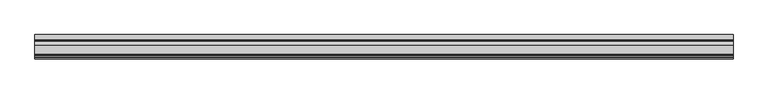
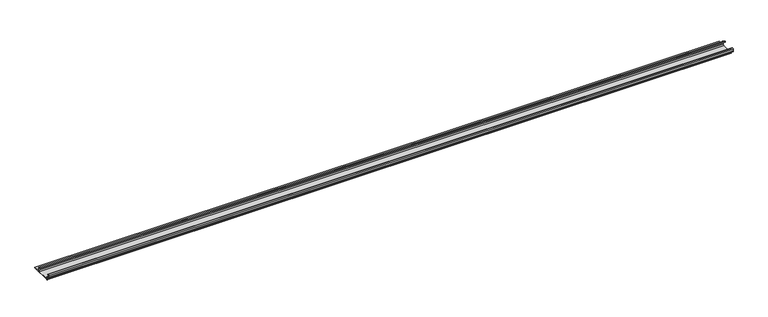
"""IFC4 building model written with IfcOpenShell, lengths in millimetres: proxy geometry."""

from ifc_helpers import new_model, si_unit, point, frame, frame_2d, origin, place, context, project, spatial, polyline, circle_curve, trimmed, segment, composite_curve, outline, extrude, source, transform, mapped, element, save


def generic_models_05ba257d(model_context):
    return source(origin(), model_context, "Body", "SweptSolid", [
        extrude(outline(composite_curve([segment(trimmed(circle_curve(frame_2d((-62.6503601, 1.8496399)), 1.8496399), [point((-62.6503601, 0.0))], [point((-64.5, 1.8496399))], False, "CARTESIAN"), True, "CONTINUOUS"), segment(polyline([(-64.5, 1.8496399), (-64.5, 5.954427)]), True, "CONTINUOUS"), segment(trimmed(circle_curve(frame_2d((-66.20622, 5.954427)), 1.70622), [point((-64.5, 5.954427))], [point((-65.4316123, 7.4746802))], True, "CARTESIAN"), True, "CONTINUOUS"), segment(polyline([(-65.4316123, 7.4746802), (-72.6810737, 11.1684652)]), True, "CONTINUOUS"), segment(trimmed(circle_curve(frame_2d((-71.168691, 14.1366832)), 3.331309), [point((-72.6810737, 11.1684652))], [point((-74.5, 14.1366832))], False, "CARTESIAN"), True, "CONTINUOUS"), segment(polyline([(-74.5, 14.1366832), (-74.5, 20.1779423)]), True, "CONTINUOUS"), segment(trimmed(circle_curve(frame_2d((-71.9904423, 20.1779423)), 2.5095577), [point((-74.5, 20.1779423))], [point((-71.9904423, 22.6875))], False, "CARTESIAN"), True, "CONTINUOUS"), segment(polyline([(-71.9904423, 22.6875), (-70.5, 22.6875), (-70.5, 20.6875), (-71.7785709, 20.6875)]), True, "CONTINUOUS"), segment(trimmed(circle_curve(frame_2d((-71.7785709, 19.9660709)), 0.7214291), [point((-71.7785709, 20.6875))], [point((-72.5, 19.9660709))], True, "CARTESIAN"), True, "CONTINUOUS"), segment(polyline([(-72.5, 19.9660709), (-72.5, 14.7749524)]), True, "CONTINUOUS"), segment(trimmed(circle_curve(frame_2d((-70.1271304, 14.7749524)), 2.3728696), [point((-72.5, 14.7749524))], [point((-71.2043907, 12.6607101))], True, "CARTESIAN"), True, "CONTINUOUS"), segment(polyline([(-71.2043907, 12.6607101), (-64.0754216, 9.028319)]), True, "CONTINUOUS"), segment(trimmed(circle_curve(frame_2d((-65.3853373, 6.4574646)), 2.8853373), [point((-64.0754216, 9.028319))], [point((-62.5, 6.4574646))], False, "CARTESIAN"), True, "CONTINUOUS"), segment(polyline([(-62.5, 6.4574646), (-62.5, 4.1283032)]), True, "CONTINUOUS"), segment(trimmed(circle_curve(frame_2d((-60.3716968, 4.1283032)), 2.1283032), [point((-62.5, 4.1283032))], [point((-60.3716968, 2.0))], True, "CARTESIAN"), True, "CONTINUOUS"), segment(polyline([(-60.3716968, 2.0), (-24.1498681, 2.0)]), True, "CONTINUOUS"), segment(trimmed(circle_curve(frame_2d((-24.1498681, 4.6498681)), 2.6498681), [point((-24.1498681, 2.0))], [point((-21.5, 4.6498681))], True, "CARTESIAN"), True, "CONTINUOUS"), segment(polyline([(-21.5, 4.6498681), (-21.5, 11.0762745)]), True, "CONTINUOUS"), segment(trimmed(circle_curve(frame_2d((-24.2710864, 11.0762745)), 2.7710864), [point((-21.5, 11.0762745))], [point((-23.0130395, 13.5453305))], True, "CARTESIAN"), True, "CONTINUOUS"), segment(polyline([(-23.0130395, 13.5453305), (-31.0115672, 17.620784), (-31.0115672, 19.8654365), (-21.2217486, 14.8772747)]), True, "CONTINUOUS"), segment(trimmed(circle_curve(frame_2d((-22.6533308, 12.0676364)), 3.1533308), [point((-21.2217486, 14.8772747))], [point((-19.5, 12.0676364))], False, "CARTESIAN"), True, "CONTINUOUS"), segment(polyline([(-19.5, 12.0676364), (-19.5, 4.4365856)]), True, "CONTINUOUS"), segment(trimmed(circle_curve(frame_2d((-17.0634144, 4.4365856)), 2.4365856), [point((-19.5, 4.4365856))], [point((-17.0634144, 2.0))], True, "CARTESIAN"), True, "CONTINUOUS"), segment(polyline([(-17.0634144, 2.0), (0.0, 2.0), (0.0, 0.0), (-62.6503601, 0.0)]), True, "CONTINUOUS")], self_intersect=False)), frame((0.0, 0.0, 0.0), z_axis=(1.0, 0.0, 0.0), x_axis=(0.0, 1.0, 0.0)), (0.0, 0.0, 1.0), 2132.0),
    ])


if __name__ == "__main__":
    model = new_model("IFC4")
    model_context = context("Model", 3, world=origin())
    ifc_project = project(units=[si_unit("LENGTHUNIT", "METRE", prefix="MILLI")], contexts=[model_context])
    site = spatial("IfcSite", under=ifc_project)
    building = spatial("IfcBuilding", under=site)
    placement = place(None, origin())
    generic_models_shape = generic_models_05ba257d(model_context)
    element("IfcBuildingElementProxy", 1, Name="Generic Models", at=placement, inside=building, context=model_context, shape_type="MappedRepresentation", body=[
        mapped(generic_models_shape, transform((0.0, 0.0, 0.0), x_axis=(1.0, 0.0, 0.0), y_axis=(0.0, 1.0, 0.0), z_axis=(0.0, 0.0, 1.0))),
    ])
    save(model, "model.ifc")
